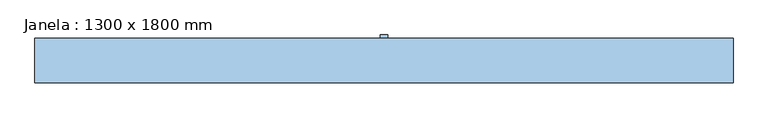
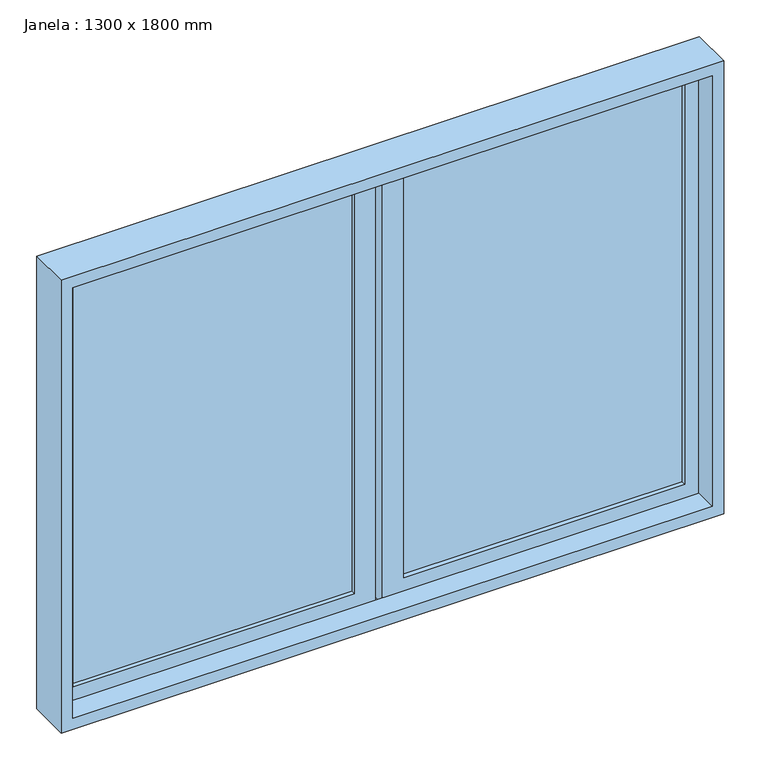
"""IFC4 building model written with IfcOpenShell, lengths in millimetres: window geometry, Janela : 1300 x 1800 mm."""

from ifc_helpers import new_model, si_unit, frame, origin, place, context, project, spatial, polyline, outline, extrude, faceted_brep, source, transform, mapped, element, save


def janela_1300_x_1800_mm_0a46ca03(model_context):
    return source(origin(), model_context, "Body", "SolidModel", [
        extrude(outline(polyline([(9.525, 87.05), (-9.525, 87.05), (-9.525, 96.064), (9.525, 96.064), (9.525, 87.05)])), frame((0.0, 0.0, 912.7), z_axis=(0.0, 0.0, 1.0), x_axis=(1.0, 0.0, 0.0)), (0.0, 0.0, 1.0), 1274.6),
        extrude(outline(polyline([(-66.675, 68.0), (-66.675, 61.65), (-830.15, 61.65), (-830.15, 68.0), (-66.675, 68.0)])), frame((0.0, 0.0, 969.85), z_axis=(0.0, 0.0, 1.0), x_axis=(1.0, 0.0, 0.0)), (0.0, 0.0, 1.0), 1160.3),
        extrude(outline(polyline([(-830.15, 48.95), (-830.15, 55.3), (-66.675, 55.3), (-66.675, 48.95), (-830.15, 48.95)])), frame((0.0, 0.0, 969.85), z_axis=(0.0, 0.0, 1.0), x_axis=(1.0, 0.0, 0.0)), (0.0, 0.0, 1.0), 1160.3),
        extrude(outline(polyline([(830.15, 68.0), (830.15, 61.65), (66.675, 61.65), (66.675, 68.0), (830.15, 68.0)])), frame((0.0, 0.0, 969.85), z_axis=(0.0, 0.0, 1.0), x_axis=(1.0, 0.0, 0.0)), (0.0, 0.0, 1.0), 1160.3),
        extrude(outline(polyline([(66.675, 48.95), (66.675, 55.3), (830.15, 55.3), (830.15, 48.95), (66.675, 48.95)])), frame((0.0, 0.0, 969.85), z_axis=(0.0, 0.0, 1.0), x_axis=(1.0, 0.0, 0.0)), (0.0, 0.0, 1.0), 1160.3),
        extrude(outline(polyline([(2187.3, -887.3), (912.7, -887.3), (912.7, -9.525), (2187.3, -9.525), (2187.3, -887.3)]), holes=[polyline([(2130.15, -66.675), (969.85, -66.675), (969.85, -830.15), (2130.15, -830.15), (2130.15, -66.675)])]), frame((0.0, 36.25, 0.0), z_axis=(0.0, 1.0, 0.0), x_axis=(0.0, 0.0, 1.0)), (0.0, 0.0, 1.0), 44.45),
        extrude(outline(polyline([(912.7, 887.3), (2187.3, 887.3), (2187.3, 9.525), (912.7, 9.525), (912.7, 887.3)]), holes=[polyline([(969.85, 66.675), (2130.15, 66.675), (2130.15, 830.15), (969.85, 830.15), (969.85, 66.675)])]), frame((0.0, 36.25, 0.0), z_axis=(0.0, 1.0, 0.0), x_axis=(0.0, 0.0, 1.0)), (0.0, 0.0, 1.0), 44.45),
        faceted_brep([(868.25, 36.25, 2168.25), (868.25, -27.25, 2168.25), (-868.25, -27.25, 2168.25), (-868.25, 36.25, 2168.25), (887.3, 87.05, 2187.3), (887.3, 36.25, 2187.3), (-887.3, 36.25, 2187.3), (-887.3, 87.05, 2187.3), (900.0, -27.25, 2200.0), (900.0, 87.05, 2200.0), (-900.0, 87.05, 2200.0), (-900.0, -27.25, 2200.0), (-868.25, -27.25, 931.75), (-868.25, 36.25, 931.75), (-887.3, 36.25, 912.7), (-887.3, 87.05, 912.7), (-900.0, 87.05, 900.0), (-900.0, -27.25, 900.0), (868.25, -27.25, 931.75), (868.25, 36.25, 931.75), (887.3, 36.25, 912.7), (887.3, 87.05, 912.7), (900.0, 87.05, 900.0), (900.0, -27.25, 900.0)], [[[0, 1, 2, 3]], [[4, 5, 6, 7]], [[8, 9, 10, 11]], [[3, 2, 12, 13]], [[7, 6, 14, 15]], [[11, 10, 16, 17]], [[13, 12, 18, 19]], [[15, 14, 20, 21]], [[17, 16, 22, 23]], [[11, 17, 23, 8], [1, 18, 12, 2]], [[19, 18, 1, 0]], [[5, 20, 14, 6], [3, 13, 19, 0]], [[21, 20, 5, 4]], [[23, 22, 9, 8]], [[9, 22, 16, 10], [7, 15, 21, 4]]]),
    ])


if __name__ == "__main__":
    model = new_model("IFC4")
    model_context = context("Model", 3, world=origin())
    ifc_project = project(units=[si_unit("LENGTHUNIT", "METRE", prefix="MILLI")], contexts=[model_context])
    site = spatial("IfcSite", under=ifc_project)
    building = spatial("IfcBuilding", under=site)
    placement = place(None, origin())
    janela_1300_x_1800_mm_shape = janela_1300_x_1800_mm_0a46ca03(model_context)
    element("IfcWindow", 1, ObjectType="Janela : 1300 x 1800 mm", at=placement, inside=building, context=model_context, shape_type="MappedRepresentation", body=[
        mapped(janela_1300_x_1800_mm_shape, transform((0.0, 0.0, 0.0), x_axis=(1.0, 0.0, 0.0), y_axis=(0.0, 1.0, 0.0), z_axis=(0.0, 0.0, 1.0))),
    ])
    save(model, "model.ifc")
